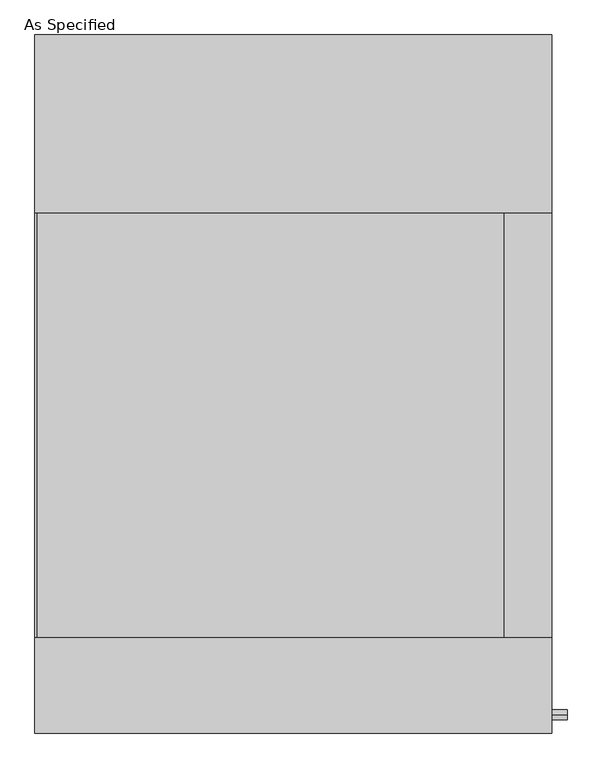
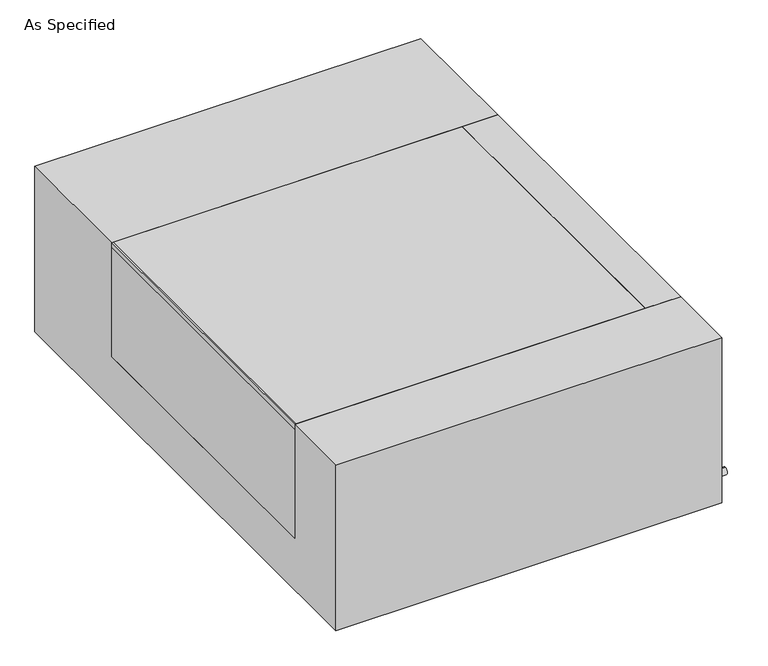
"""IFC4 building model written with IfcOpenShell, lengths in millimetres: proxy geometry, As Specified."""

import ifcopenshell
import ifcopenshell.guid

model = None  # the IFC model being written
_history = None  # IfcOwnerHistory: only IFC2X3 demands one
_inside = {}  # id of a spatial element -> (the spatial element, [elements in it])
_under = {}  # id of a project, library or spatial element -> (it, [spatial elements below it])
_declared = {}  # id of a project -> (the project, [libraries it declares])
_typed = {}  # id of a type object -> (the type object, [elements of that type])
_made_of = {}  # id of a material, layer set ... -> (it, [elements and type objects made of it])


def new_model(schema):
    """Start an empty IFC model of exactly this schema.

    Asked for "IFC4X3", IfcOpenShell would pick the latest addendum, in which some entities
    have other attributes; the version numbers below select the first issue.
    IFC2X3 requires an IfcOwnerHistory on every rooted entity: one is made here for all.
    """
    global model, _history
    if schema == "IFC4X3":
        model = ifcopenshell.file(schema_version=(4, 3, 0, 0))
    else:
        model = ifcopenshell.file(schema=schema)
    _inside.clear()
    _under.clear()
    _declared.clear()
    _typed.clear()
    _made_of.clear()
    _history = None
    if model.schema == "IFC2X3":
        org = make("IfcOrganization", Name="unknown")
        user = make(
            "IfcPersonAndOrganization",
            ThePerson=make("IfcPerson", FamilyName="unknown"),
            TheOrganization=org,
        )
        app = make(
            "IfcApplication",
            ApplicationDeveloper=org,
            Version="unknown",
            ApplicationFullName="unknown",
            ApplicationIdentifier="unknown",
        )
        _history = make(
            "IfcOwnerHistory",
            OwningUser=user,
            OwningApplication=app,
            ChangeAction="ADDED",
            CreationDate=0,
        )
    return model


def make(cls, **values):
    """One entity of the class cls with the attributes given. An attribute that is None is left unset."""
    return model.create_entity(
        cls, **{name: value for name, value in values.items() if value is not None}
    )


def rooted(cls, **values):
    """An entity with a GlobalId (a new one), such as an element, a storey or a relation."""
    return make(cls, GlobalId=ifcopenshell.guid.new(), OwnerHistory=_history, **values)


def si_unit(unit_type, name, prefix=None):
    """IfcSIUnit, for example si_unit("LENGTHUNIT", "METRE", prefix="MILLI")."""
    return make("IfcSIUnit", UnitType=unit_type, Prefix=prefix, Name=name)


def assignment(units):
    """IfcUnitAssignment: the units of a project."""
    return None if units is None else make("IfcUnitAssignment", Units=units)


def point(xyz):
    """IfcCartesianPoint."""
    return None if xyz is None else make("IfcCartesianPoint", Coordinates=xyz)


def direction(xyz):
    """IfcDirection."""
    return None if xyz is None else make("IfcDirection", DirectionRatios=xyz)


def frame(location, z_axis=None, x_axis=None):
    """IfcAxis2Placement3D, a coordinate frame: its origin and axes. An axis left out is left unset."""
    return make(
        "IfcAxis2Placement3D",
        Location=point(location),
        Axis=direction(z_axis),
        RefDirection=direction(x_axis),
    )


def frame_2d(location, x_axis=None):
    """IfcAxis2Placement2D, a coordinate frame in the plane: its origin and x axis."""
    return make(
        "IfcAxis2Placement2D", Location=point(location), RefDirection=direction(x_axis)
    )


def origin():
    """The frame at (0, 0, 0) with its axes left unset."""
    return frame((0.0, 0.0, 0.0))


def place(relative_to, where):
    """IfcLocalPlacement: puts the frame where relative to a parent placement (None: the world)."""
    return make(
        "IfcLocalPlacement", PlacementRelTo=relative_to, RelativePlacement=where
    )


def context(
    kind, dimensions, precision=None, world=None, true_north=None, identifier=None
):
    """IfcGeometricRepresentationContext, for example the 3D "Model" context."""
    return make(
        "IfcGeometricRepresentationContext",
        ContextIdentifier=identifier,
        ContextType=kind,
        CoordinateSpaceDimension=dimensions,
        Precision=precision,
        WorldCoordinateSystem=world,
        TrueNorth=true_north,
    )


def project(units=None, contexts=None):
    """IfcProject with its units and contexts."""
    return rooted(
        "IfcProject",
        Name="project",
        RepresentationContexts=contexts,
        UnitsInContext=assignment(units),
    )


def spatial(cls, under=None, at=None, **own):
    """A site, building, storey or space (cls), placed at a placement, below another one or the project."""
    s = rooted(cls, ObjectPlacement=at, **own)
    if under is not None:
        _under.setdefault(under.id(), (under, []))[1].append(s)
    return s


def polyline(points):
    """IfcPolyline through the points."""
    return make("IfcPolyline", Points=[point(p) for p in points])


def circle_curve(where, radius):
    """IfcCircle in the frame where."""
    return make("IfcCircle", Position=where, Radius=radius)


def trimmed(basis, trim1, trim2, sense, master):
    """IfcTrimmedCurve: the piece of a basis curve between two trims."""
    return make(
        "IfcTrimmedCurve",
        BasisCurve=basis,
        Trim1=trim1,
        Trim2=trim2,
        SenseAgreement=sense,
        MasterRepresentation=master,
    )


def segment(curve, same_sense, transition):
    """IfcCompositeCurveSegment."""
    return make(
        "IfcCompositeCurveSegment",
        Transition=transition,
        SameSense=same_sense,
        ParentCurve=curve,
    )


def composite_curve(segments, self_intersect=None):
    """IfcCompositeCurve: segments joined end to end."""
    return make("IfcCompositeCurve", Segments=segments, SelfIntersect=self_intersect)


def outline(outer, holes=None, kind="AREA"):
    """IfcArbitraryClosedProfileDef: a profile drawn as a closed curve; with holes, ...WithVoids."""
    if holes is None:
        return make("IfcArbitraryClosedProfileDef", ProfileType=kind, OuterCurve=outer)
    return make(
        "IfcArbitraryProfileDefWithVoids",
        ProfileType=kind,
        OuterCurve=outer,
        InnerCurves=holes,
    )


def extrude(swept, where, along, depth):
    """IfcExtrudedAreaSolid: the profile swept, set in the frame where, extruded along a direction by depth."""
    return make(
        "IfcExtrudedAreaSolid",
        SweptArea=swept,
        Position=where,
        ExtrudedDirection=direction(along),
        Depth=depth,
    )


def shape(context_of_items, identifier, shape_type, items):
    """IfcShapeRepresentation: the items that make up one representation, for example the "Body"."""
    return make(
        "IfcShapeRepresentation",
        ContextOfItems=context_of_items,
        RepresentationIdentifier=identifier,
        RepresentationType=shape_type,
        Items=items,
    )


def source(mapping_origin, context_of_items, identifier, shape_type, items):
    """IfcRepresentationMap: a shape defined once, which mapped items show again and again."""
    return make(
        "IfcRepresentationMap",
        MappingOrigin=mapping_origin,
        MappedRepresentation=shape(context_of_items, identifier, shape_type, items),
    )


def transform(
    local_origin,
    x_axis=None,
    y_axis=None,
    z_axis=None,
    scale=None,
    scale2=None,
    scale3=None,
    uniform=True,
):
    """IfcCartesianTransformationOperator3D, or its non-uniform kind. x_axis, y_axis, z_axis: its Axis1, 2, 3."""
    if uniform:
        return make(
            "IfcCartesianTransformationOperator3D",
            Axis1=direction(x_axis),
            Axis2=direction(y_axis),
            LocalOrigin=point(local_origin),
            Scale=scale,
            Axis3=direction(z_axis),
        )
    return make(
        "IfcCartesianTransformationOperator3DnonUniform",
        Axis1=direction(x_axis),
        Axis2=direction(y_axis),
        LocalOrigin=point(local_origin),
        Scale=scale,
        Axis3=direction(z_axis),
        Scale2=scale2,
        Scale3=scale3,
    )


def mapped(mapping_source, mapping_target):
    """IfcMappedItem: shows the shape of a source again, moved by a transform."""
    return make(
        "IfcMappedItem", MappingSource=mapping_source, MappingTarget=mapping_target
    )


def made_of(thing, what):
    """Note that an element or type object is made of a material, layer set ...; save() writes the relation."""
    if what is not None:
        _made_of.setdefault(what.id(), (what, []))[1].append(thing)
    return thing


def element(
    cls,
    number,
    at=None,
    inside=None,
    cuts=None,
    type_object=None,
    material=None,
    context=None,
    identifier="Body",
    shape_type=None,
    held_by="IfcProductDefinitionShape",
    body=None,
    shapes=None,
    **own,
):
    """One element of the class cls, such as IfcWall. Its Tag is "e" and its number.

    at: its placement. inside: the storey or other place that contains it. cuts: it is an
    opening in that element (IfcRelVoidsElement). A single representation is given by context,
    identifier, shape_type and body (its items); several are given by shapes. held_by: the class
    of the entity that holds the representations. save() writes the other relations.
    """
    e = rooted(cls, Tag="e%d" % number, ObjectPlacement=at, **own)
    if body is not None:
        shapes = [shape(context, identifier, shape_type, body)]
    if shapes is not None:
        e.Representation = make(held_by, Representations=shapes)
    if inside is not None:
        _inside.setdefault(inside.id(), (inside, []))[1].append(e)
    if cuts is not None:
        rooted(
            "IfcRelVoidsElement", RelatingBuildingElement=cuts, RelatedOpeningElement=e
        )
    if type_object is not None:
        _typed.setdefault(type_object.id(), (type_object, []))[1].append(e)
    return made_of(e, material)


def aggregate(whole, parts):
    """IfcRelAggregates: a whole, such as a stair, and the parts it consists of."""
    return rooted("IfcRelAggregates", RelatingObject=whole, RelatedObjects=parts)


def save(model, path):
    """Write the relations noted so far, then the file.

    IfcRelAggregates (storeys below a building ...), IfcRelContainedInSpatialStructure (elements
    in a storey), IfcRelDefinesByType, IfcRelAssociatesMaterial and IfcRelDeclares: one each for
    every whole, place, type object, material and project.
    """
    for whole, parts in _under.values():
        aggregate(whole, parts)
    for where, things in _inside.values():
        rooted(
            "IfcRelContainedInSpatialStructure",
            RelatedElements=things,
            RelatingStructure=where,
        )
    for kind, things in _typed.values():
        rooted("IfcRelDefinesByType", RelatedObjects=things, RelatingType=kind)
    for what, things in _made_of.values():
        rooted("IfcRelAssociatesMaterial", RelatedObjects=things, RelatingMaterial=what)
    for by, libraries in _declared.values():
        rooted("IfcRelDeclares", RelatingContext=by, RelatedDefinitions=libraries)
    model.write(path)


def as_specified_47e4f4b2(model_context):
    return source(origin(), model_context, "Body", "SweptSolid", [
        extrude(outline(composite_curve([segment(trimmed(circle_curve(frame_2d((-712.7875, -466.725)), 10.5), [point((-712.7875, -456.225))], [point((-712.7875, -477.225))], False, "CARTESIAN"), True, "CONTINUOUS"), segment(trimmed(circle_curve(frame_2d((-712.7875, -466.725)), 10.5), [point((-712.7875, -477.225))], [point((-712.7875, -456.225))], False, "CARTESIAN"), True, "CONTINUOUS")], self_intersect=False)), frame((558.00625, 0.0, 0.0), z_axis=(1.0, 0.0, 0.0), x_axis=(0.0, 1.0, 0.0)), (0.0, 0.0, 1.0), 31.8403384),
        extrude(outline(polyline([(454.81875, -546.1), (454.81875, 368.3), (557.2125, 368.3), (557.2125, -546.1), (454.81875, -546.1)])), frame((0.0, 0.0, -373.0625), z_axis=(0.0, 0.0, 1.0), x_axis=(1.0, 0.0, 0.0)), (0.0, 0.0, 1.0), 347.6625),
        extrude(outline(polyline([(-557.2125, 368.3), (-553.24375, 368.3), (-553.24375, -546.1), (-557.2125, -546.1), (-557.2125, 368.3)])), frame((0.0, 0.0, -39.6875), z_axis=(0.0, 0.0, 1.0), x_axis=(1.0, 0.0, 0.0)), (0.0, 0.0, 1.0), 14.2875),
        extrude(outline(polyline([(454.81875, 368.3), (454.81875, -546.1), (-557.2125, -546.1), (-557.2125, 368.3), (454.81875, 368.3)])), frame((0.0, 0.0, -373.0625), z_axis=(0.0, 0.0, 1.0), x_axis=(1.0, 0.0, 0.0)), (0.0, 0.0, 1.0), 347.6625),
        extrude(outline(polyline([(752.475, -25.4), (752.475, -530.225), (-752.475, -530.225), (-752.475, -25.4), (-546.1, -25.4), (-546.1, -373.0625), (368.3, -373.0625), (368.3, -25.4), (752.475, -25.4)])), frame((-557.2125, 0.0, 0.0), z_axis=(1.0, 0.0, 0.0), x_axis=(0.0, 1.0, 0.0)), (0.0, 0.0, 1.0), 1114.425),
    ])


if __name__ == "__main__":
    model = new_model("IFC4")
    model_context = context("Model", 3, world=origin())
    ifc_project = project(units=[si_unit("LENGTHUNIT", "METRE", prefix="MILLI")], contexts=[model_context])
    site = spatial("IfcSite", under=ifc_project)
    building = spatial("IfcBuilding", under=site)
    placement = place(None, origin())
    as_specified_shape = as_specified_47e4f4b2(model_context)
    element("IfcBuildingElementProxy", 1, Name="As Specified", ObjectType="As Specified", at=placement, inside=building, context=model_context, shape_type="MappedRepresentation", body=[
        mapped(as_specified_shape, transform((0.0, 0.0, 0.0), x_axis=(1.0, 0.0, 0.0), y_axis=(0.0, 1.0, 0.0), z_axis=(0.0, 0.0, 1.0))),
    ])
    save(model, "model.ifc")
